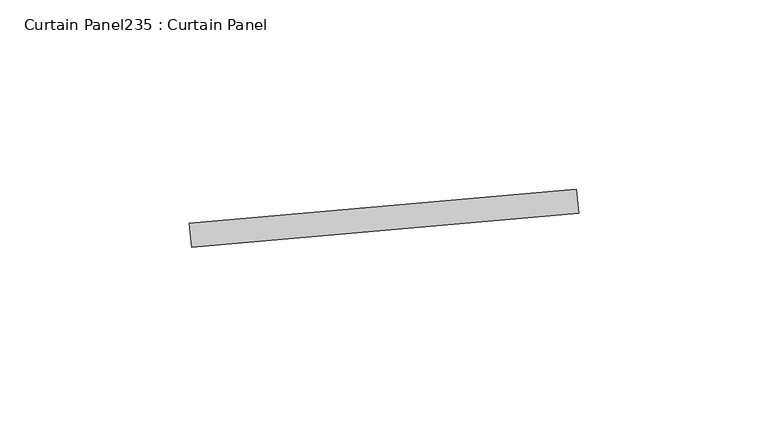
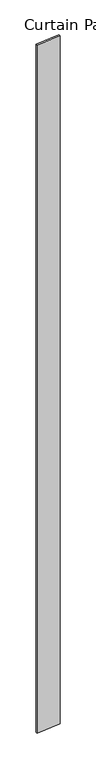
"""IFC4 building model written with IfcOpenShell, lengths in millimetres: plate geometry, Curtain Panel235 : Curtain Panel."""

from ifc_helpers import new_model, si_unit, frame, origin, place, context, project, spatial, polyline, outline, extrude, source, transform, mapped, element, save


def curtain_panel235_curtain_panel_cad23173(model_context):
    return source(origin(), model_context, "Body", "SweptSolid", [
        extrude(outline(polyline([(642443.5927175, 2214.7997619), (642545.7320423, 2223.7357949), (642546.2854813, 2217.4099586), (642444.1461564, 2208.4739256), (642443.5927175, 2214.7997619)])), frame((0.0, 0.0, 4959.7989371), z_axis=(0.0, 0.0, 1.0), x_axis=(1.0, 0.0, 0.0)), (0.0, 0.0, 1.0), 3048.0),
    ])


if __name__ == "__main__":
    model = new_model("IFC4")
    model_context = context("Model", 3, world=origin())
    ifc_project = project(units=[si_unit("LENGTHUNIT", "METRE", prefix="MILLI")], contexts=[model_context])
    site = spatial("IfcSite", under=ifc_project)
    building = spatial("IfcBuilding", under=site)
    placement = place(None, origin())
    curtain_panel235_curtain_panel_shape = curtain_panel235_curtain_panel_cad23173(model_context)
    element("IfcPlate", 1, ObjectType="Curtain Panel235 : Curtain Panel", at=placement, inside=building, context=model_context, shape_type="MappedRepresentation", body=[
        mapped(curtain_panel235_curtain_panel_shape, transform((0.0, 0.0, 0.0), x_axis=(1.0, 0.0, 0.0), y_axis=(0.0, 1.0, 0.0), z_axis=(0.0, 0.0, 1.0))),
    ])
    save(model, "model.ifc")
